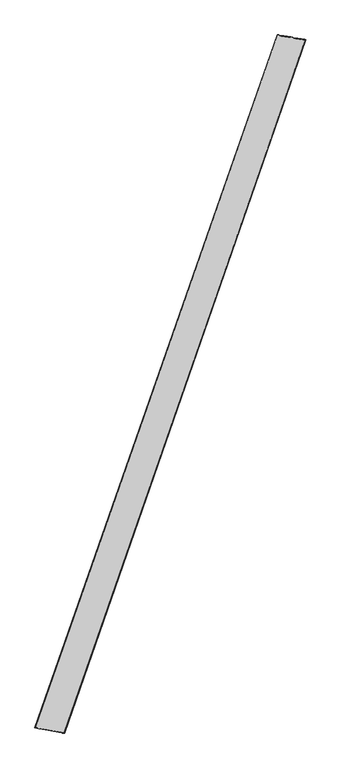
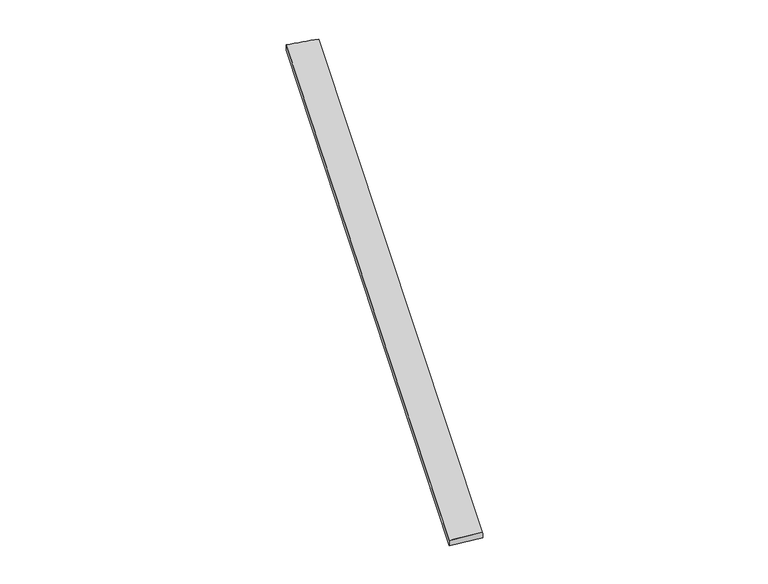
"""IFC4 building model written with IfcOpenShell, lengths in millimetres: proxy geometry."""

from ifc_helpers import new_model, si_unit, origin, place, context, project, spatial, source, transform, mapped, element, save
from ifc_brep_helpers import spline_surface, advanced_brep


def generic_models_04a6dc47(model_context):
    return source(origin(), model_context, "Body", "AdvancedBrep", [
        advanced_brep(
        [(-674.8569577, -1709.6376261, -3.0853313), (-675.5361938, -1709.4491733, 26.9063863), (665.7969523, 2117.3110144, 33.2140386), (665.3272534, 2117.5248985, 3.2184783), (-513.4949958, -1737.4073758, 33.0381644), (823.2588734, 2089.5371698, 26.7211005), (-511.9198915, -1738.0053248, 3.0855101), (821.4495957, 2090.1180524, -3.2186571)],
        [
            (0, 1),
            (1, 2),
            (2, 3),
            (3, 0),
            (1, 4),
            (4, 5),
            (5, 2),
            (4, 6),
            (6, 7),
            (7, 5),
            (6, 0),
            (3, 7),
        ],
        [
            spline_surface(1, 1, [[(-674.8569577, -1709.6376261, -3.0853313), (665.3272534, 2117.5248985, 3.2184783)], [(-675.5361938, -1709.4491733, 26.9063863), (665.7969523, 2117.3110144, 33.2140386)]], [2, 2], [2, 2], [0.0, 1.0], [0.0, 1.0]),
            spline_surface(1, 1, [[(-675.5361938, -1709.4491733, 26.9063863), (665.7969523, 2117.3110144, 33.2140386)], [(-513.4949958, -1737.4073758, 33.0381644), (823.2588734, 2089.5371698, 26.7211005)]], [2, 2], [2, 2], [0.0, 1.0], [0.0, 1.0]),
            spline_surface(1, 1, [[(-513.4949958, -1737.4073758, 33.0381644), (823.2588734, 2089.5371698, 26.7211005)], [(-511.9198915, -1738.0053248, 3.0855101), (821.4495957, 2090.1180524, -3.2186571)]], [2, 2], [2, 2], [0.0, 1.0], [0.0, 1.0]),
            spline_surface(1, 1, [[(-511.9198915, -1738.0053248, 3.0855101), (821.4495957, 2090.1180524, -3.2186571)], [(-674.8569577, -1709.6376261, -3.0853313), (665.3272534, 2117.5248985, 3.2184783)]], [2, 2], [2, 2], [0.0, 1.0], [0.0, 1.0]),
            spline_surface(1, 1, [[(665.7969523, 2117.3110144, 33.2140386), (665.3272534, 2117.5248985, 3.2184783)], [(823.2588734, 2089.5371698, 26.7211005), (821.4495957, 2090.1180524, -3.2186571)]], [2, 2], [2, 2], [0.0, 1.0], [0.0, 1.0]),
            spline_surface(1, 1, [[(-511.9198915, -1738.0053248, 3.0855101), (-674.8569577, -1709.6376261, -3.0853313)], [(-513.4949958, -1737.4073758, 33.0381644), (-675.5361938, -1709.4491733, 26.9063863)]], [2, 2], [2, 2], [0.0, 1.0], [0.0, 1.0]),
        ],
        [
            (0, [[1, 2, 3, 4]]),
            (1, [[5, 6, 7, -2]]),
            (2, [[8, 9, 10, -6]]),
            (3, [[11, -4, 12, -9]]),
            (4, [[-3, -7, -10, -12]]),
            (5, [[-11, -8, -5, -1]]),
        ],
    ),
    ])


if __name__ == "__main__":
    model = new_model("IFC4")
    model_context = context("Model", 3, world=origin())
    ifc_project = project(units=[si_unit("LENGTHUNIT", "METRE", prefix="MILLI")], contexts=[model_context])
    site = spatial("IfcSite", under=ifc_project)
    building = spatial("IfcBuilding", under=site)
    placement = place(None, origin())
    generic_models_shape = generic_models_04a6dc47(model_context)
    element("IfcBuildingElementProxy", 1, Name="Generic Models", at=placement, inside=building, context=model_context, shape_type="MappedRepresentation", body=[
        mapped(generic_models_shape, transform((0.0, 0.0, 0.0), x_axis=(1.0, 0.0, 0.0), y_axis=(0.0, 1.0, 0.0), z_axis=(0.0, 0.0, 1.0))),
    ])
    save(model, "model.ifc")
